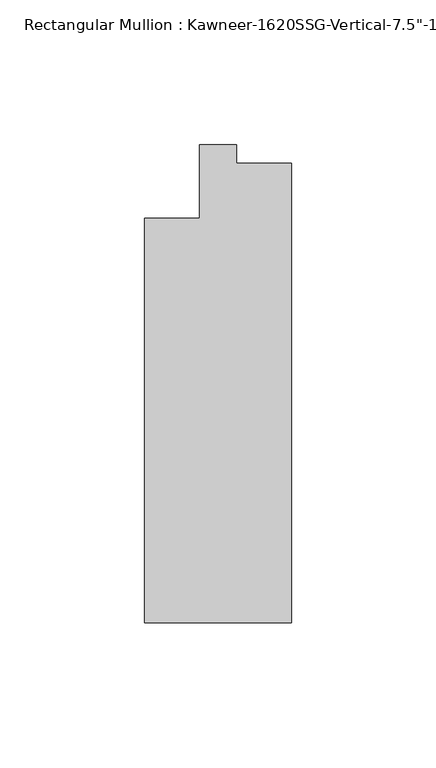
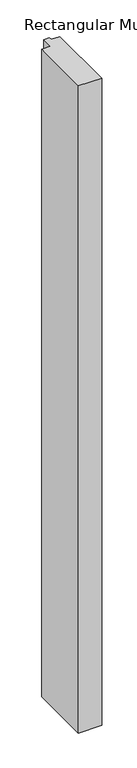
"""IFC4 building model written with IfcOpenShell, lengths in millimetres: member geometry."""

from ifc_helpers import new_model, si_unit, frame, origin, place, context, project, spatial, polyline, outline, extrude, source, transform, mapped, element, save


def member_e8f3136e(model_context):
    return source(origin(), model_context, "Body", "SweptSolid", [
        extrude(outline(polyline([(25.4, -161.925), (-25.4, -161.925), (-25.4, -22.225), (-6.35, -22.225), (-6.35, 3.175), (6.35, 3.175), (6.35, -3.175), (25.4, -3.175), (25.4, -161.925)])), frame((0.0, 0.0, -1498.6), z_axis=(0.0, 0.0, 1.0), x_axis=(1.0, 0.0, 0.0)), (0.0, 0.0, 1.0), 1498.6),
    ])


if __name__ == "__main__":
    model = new_model("IFC4")
    model_context = context("Model", 3, world=origin())
    ifc_project = project(units=[si_unit("LENGTHUNIT", "METRE", prefix="MILLI")], contexts=[model_context])
    site = spatial("IfcSite", under=ifc_project)
    building = spatial("IfcBuilding", under=site)
    placement = place(None, origin())
    member_shape = member_e8f3136e(model_context)
    element("IfcMember", 1, ObjectType="Rectangular Mullion : Kawneer-1620SSG-Vertical-7.5\"-1\"_1/4\"Infill", at=placement, inside=building, context=model_context, shape_type="MappedRepresentation", body=[
        mapped(member_shape, transform((0.0, 0.0, 0.0), x_axis=(1.0, 0.0, 0.0), y_axis=(0.0, 1.0, 0.0), z_axis=(0.0, 0.0, 1.0))),
    ])
    save(model, "model.ifc")
